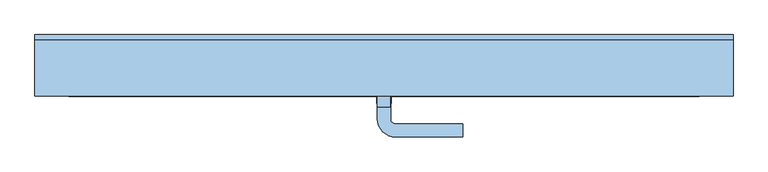
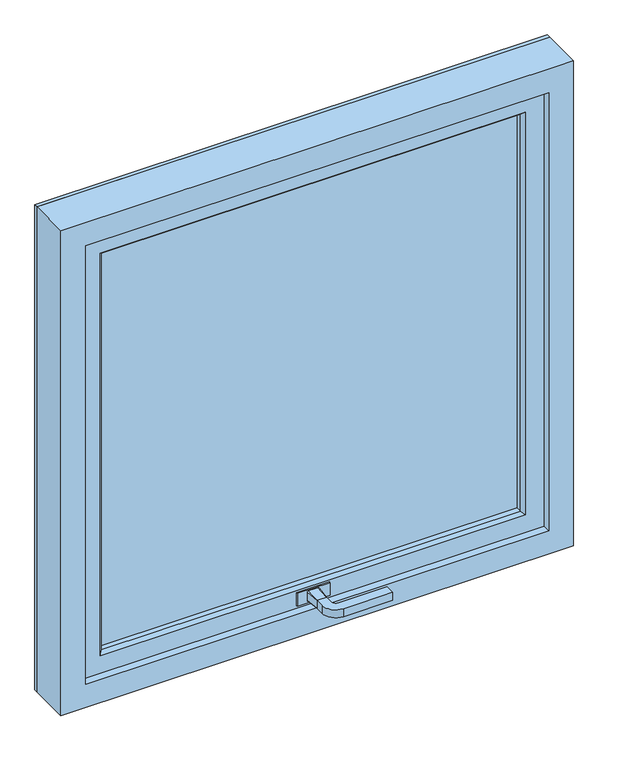
"""IFC4 building model written with IfcOpenShell, lengths in millimetres: window geometry."""

import ifcopenshell
import ifcopenshell.guid

model = None  # the IFC model being written
_history = None  # IfcOwnerHistory: only IFC2X3 demands one
_inside = {}  # id of a spatial element -> (the spatial element, [elements in it])
_under = {}  # id of a project, library or spatial element -> (it, [spatial elements below it])
_declared = {}  # id of a project -> (the project, [libraries it declares])
_typed = {}  # id of a type object -> (the type object, [elements of that type])
_made_of = {}  # id of a material, layer set ... -> (it, [elements and type objects made of it])


def new_model(schema):
    """Start an empty IFC model of exactly this schema.

    Asked for "IFC4X3", IfcOpenShell would pick the latest addendum, in which some entities
    have other attributes; the version numbers below select the first issue.
    IFC2X3 requires an IfcOwnerHistory on every rooted entity: one is made here for all.
    """
    global model, _history
    if schema == "IFC4X3":
        model = ifcopenshell.file(schema_version=(4, 3, 0, 0))
    else:
        model = ifcopenshell.file(schema=schema)
    _inside.clear()
    _under.clear()
    _declared.clear()
    _typed.clear()
    _made_of.clear()
    _history = None
    if model.schema == "IFC2X3":
        org = make("IfcOrganization", Name="unknown")
        user = make(
            "IfcPersonAndOrganization",
            ThePerson=make("IfcPerson", FamilyName="unknown"),
            TheOrganization=org,
        )
        app = make(
            "IfcApplication",
            ApplicationDeveloper=org,
            Version="unknown",
            ApplicationFullName="unknown",
            ApplicationIdentifier="unknown",
        )
        _history = make(
            "IfcOwnerHistory",
            OwningUser=user,
            OwningApplication=app,
            ChangeAction="ADDED",
            CreationDate=0,
        )
    return model


def make(cls, **values):
    """One entity of the class cls with the attributes given. An attribute that is None is left unset."""
    return model.create_entity(
        cls, **{name: value for name, value in values.items() if value is not None}
    )


def rooted(cls, **values):
    """An entity with a GlobalId (a new one), such as an element, a storey or a relation."""
    return make(cls, GlobalId=ifcopenshell.guid.new(), OwnerHistory=_history, **values)


def si_unit(unit_type, name, prefix=None):
    """IfcSIUnit, for example si_unit("LENGTHUNIT", "METRE", prefix="MILLI")."""
    return make("IfcSIUnit", UnitType=unit_type, Prefix=prefix, Name=name)


def assignment(units):
    """IfcUnitAssignment: the units of a project."""
    return None if units is None else make("IfcUnitAssignment", Units=units)


def point(xyz):
    """IfcCartesianPoint."""
    return None if xyz is None else make("IfcCartesianPoint", Coordinates=xyz)


def direction(xyz):
    """IfcDirection."""
    return None if xyz is None else make("IfcDirection", DirectionRatios=xyz)


def frame(location, z_axis=None, x_axis=None):
    """IfcAxis2Placement3D, a coordinate frame: its origin and axes. An axis left out is left unset."""
    return make(
        "IfcAxis2Placement3D",
        Location=point(location),
        Axis=direction(z_axis),
        RefDirection=direction(x_axis),
    )


def origin():
    """The frame at (0, 0, 0) with its axes left unset."""
    return frame((0.0, 0.0, 0.0))


def place(relative_to, where):
    """IfcLocalPlacement: puts the frame where relative to a parent placement (None: the world)."""
    return make(
        "IfcLocalPlacement", PlacementRelTo=relative_to, RelativePlacement=where
    )


def context(
    kind, dimensions, precision=None, world=None, true_north=None, identifier=None
):
    """IfcGeometricRepresentationContext, for example the 3D "Model" context."""
    return make(
        "IfcGeometricRepresentationContext",
        ContextIdentifier=identifier,
        ContextType=kind,
        CoordinateSpaceDimension=dimensions,
        Precision=precision,
        WorldCoordinateSystem=world,
        TrueNorth=true_north,
    )


def project(units=None, contexts=None):
    """IfcProject with its units and contexts."""
    return rooted(
        "IfcProject",
        Name="project",
        RepresentationContexts=contexts,
        UnitsInContext=assignment(units),
    )


def spatial(cls, under=None, at=None, **own):
    """A site, building, storey or space (cls), placed at a placement, below another one or the project."""
    s = rooted(cls, ObjectPlacement=at, **own)
    if under is not None:
        _under.setdefault(under.id(), (under, []))[1].append(s)
    return s


def polyline(points):
    """IfcPolyline through the points."""
    return make("IfcPolyline", Points=[point(p) for p in points])


def circle_curve(where, radius):
    """IfcCircle in the frame where."""
    return make("IfcCircle", Position=where, Radius=radius)


def outline(outer, holes=None, kind="AREA"):
    """IfcArbitraryClosedProfileDef: a profile drawn as a closed curve; with holes, ...WithVoids."""
    if holes is None:
        return make("IfcArbitraryClosedProfileDef", ProfileType=kind, OuterCurve=outer)
    return make(
        "IfcArbitraryProfileDefWithVoids",
        ProfileType=kind,
        OuterCurve=outer,
        InnerCurves=holes,
    )


def extrude(swept, where, along, depth):
    """IfcExtrudedAreaSolid: the profile swept, set in the frame where, extruded along a direction by depth."""
    return make(
        "IfcExtrudedAreaSolid",
        SweptArea=swept,
        Position=where,
        ExtrudedDirection=direction(along),
        Depth=depth,
    )


def faces_of(points, faces, orient=None, outer=None):
    """IfcFace entities. A face is a list of loops; a loop is a list of indices into points, from 0.

    orient and outer hold one flag for each loop. By default every Orientation is true, the
    first loop of a face is its IfcFaceOuterBound and the others are IfcFaceBound.
    """
    made = []
    for i, loops in enumerate(faces):
        bounds = []
        for j, loop in enumerate(loops):
            is_outer = j == 0 if outer is None else outer[i][j]
            bounds.append(
                make(
                    "IfcFaceOuterBound" if is_outer else "IfcFaceBound",
                    Bound=make("IfcPolyLoop", Polygon=[points[k] for k in loop]),
                    Orientation=True if orient is None else orient[i][j],
                )
            )
        made.append(make("IfcFace", Bounds=bounds))
    return made


def faceted_brep(points, faces, orient=None, outer=None, voids=None):
    """IfcFacetedBrep: a solid bounded by flat faces; with voids (closed shells), ...WithVoids."""
    shared = [point(p) for p in points]
    hull = make("IfcClosedShell", CfsFaces=faces_of(shared, faces, orient, outer))
    if voids is None:
        return make("IfcFacetedBrep", Outer=hull)
    return make(
        "IfcFacetedBrepWithVoids",
        Outer=hull,
        Voids=[
            make(cls, CfsFaces=faces_of(shared, fs, o, b)) for cls, fs, o, b in voids
        ],
    )


def shape(context_of_items, identifier, shape_type, items):
    """IfcShapeRepresentation: the items that make up one representation, for example the "Body"."""
    return make(
        "IfcShapeRepresentation",
        ContextOfItems=context_of_items,
        RepresentationIdentifier=identifier,
        RepresentationType=shape_type,
        Items=items,
    )


def source(mapping_origin, context_of_items, identifier, shape_type, items):
    """IfcRepresentationMap: a shape defined once, which mapped items show again and again."""
    return make(
        "IfcRepresentationMap",
        MappingOrigin=mapping_origin,
        MappedRepresentation=shape(context_of_items, identifier, shape_type, items),
    )


def transform(
    local_origin,
    x_axis=None,
    y_axis=None,
    z_axis=None,
    scale=None,
    scale2=None,
    scale3=None,
    uniform=True,
):
    """IfcCartesianTransformationOperator3D, or its non-uniform kind. x_axis, y_axis, z_axis: its Axis1, 2, 3."""
    if uniform:
        return make(
            "IfcCartesianTransformationOperator3D",
            Axis1=direction(x_axis),
            Axis2=direction(y_axis),
            LocalOrigin=point(local_origin),
            Scale=scale,
            Axis3=direction(z_axis),
        )
    return make(
        "IfcCartesianTransformationOperator3DnonUniform",
        Axis1=direction(x_axis),
        Axis2=direction(y_axis),
        LocalOrigin=point(local_origin),
        Scale=scale,
        Axis3=direction(z_axis),
        Scale2=scale2,
        Scale3=scale3,
    )


def mapped(mapping_source, mapping_target):
    """IfcMappedItem: shows the shape of a source again, moved by a transform."""
    return make(
        "IfcMappedItem", MappingSource=mapping_source, MappingTarget=mapping_target
    )


def made_of(thing, what):
    """Note that an element or type object is made of a material, layer set ...; save() writes the relation."""
    if what is not None:
        _made_of.setdefault(what.id(), (what, []))[1].append(thing)
    return thing


def element(
    cls,
    number,
    at=None,
    inside=None,
    cuts=None,
    type_object=None,
    material=None,
    context=None,
    identifier="Body",
    shape_type=None,
    held_by="IfcProductDefinitionShape",
    body=None,
    shapes=None,
    **own,
):
    """One element of the class cls, such as IfcWall. Its Tag is "e" and its number.

    at: its placement. inside: the storey or other place that contains it. cuts: it is an
    opening in that element (IfcRelVoidsElement). A single representation is given by context,
    identifier, shape_type and body (its items); several are given by shapes. held_by: the class
    of the entity that holds the representations. save() writes the other relations.
    """
    e = rooted(cls, Tag="e%d" % number, ObjectPlacement=at, **own)
    if body is not None:
        shapes = [shape(context, identifier, shape_type, body)]
    if shapes is not None:
        e.Representation = make(held_by, Representations=shapes)
    if inside is not None:
        _inside.setdefault(inside.id(), (inside, []))[1].append(e)
    if cuts is not None:
        rooted(
            "IfcRelVoidsElement", RelatingBuildingElement=cuts, RelatedOpeningElement=e
        )
    if type_object is not None:
        _typed.setdefault(type_object.id(), (type_object, []))[1].append(e)
    return made_of(e, material)


def aggregate(whole, parts):
    """IfcRelAggregates: a whole, such as a stair, and the parts it consists of."""
    return rooted("IfcRelAggregates", RelatingObject=whole, RelatedObjects=parts)


def save(model, path):
    """Write the relations noted so far, then the file.

    IfcRelAggregates (storeys below a building ...), IfcRelContainedInSpatialStructure (elements
    in a storey), IfcRelDefinesByType, IfcRelAssociatesMaterial and IfcRelDeclares: one each for
    every whole, place, type object, material and project.
    """
    for whole, parts in _under.values():
        aggregate(whole, parts)
    for where, things in _inside.values():
        rooted(
            "IfcRelContainedInSpatialStructure",
            RelatedElements=things,
            RelatingStructure=where,
        )
    for kind, things in _typed.values():
        rooted("IfcRelDefinesByType", RelatedObjects=things, RelatingType=kind)
    for what, things in _made_of.values():
        rooted("IfcRelAssociatesMaterial", RelatedObjects=things, RelatingMaterial=what)
    for by, libraries in _declared.values():
        rooted("IfcRelDeclares", RelatingContext=by, RelatedDefinitions=libraries)
    model.write(path)


def plane_surface(at):
    """IfcPlane: the flat surface through the origin of the frame at, square to its z axis."""
    return make("IfcPlane", Position=at)


def cylinder_surface(at, radius):
    """IfcCylindricalSurface: all points at the distance radius from the z axis of the frame at."""
    return make("IfcCylindricalSurface", Position=at, Radius=radius)


def revolved_surface(curve, axis_point, axis_direction):
    """IfcSurfaceOfRevolution: the curve turned about the line through axis_point along axis_direction."""
    return make(
        "IfcSurfaceOfRevolution",
        SweptCurve=make("IfcArbitraryOpenProfileDef", ProfileType="CURVE", Curve=curve),
        AxisPosition=make("IfcAxis1Placement", Location=point(axis_point), Axis=direction(axis_direction)),
    )


def spline_surface(u_degree, v_degree, points, u_multiplicities, v_multiplicities, u_knots, v_knots, weights=None):
    """IfcBSplineSurfaceWithKnots; with weights, IfcRationalBSplineSurfaceWithKnots. points: one row for each step in u."""
    own = dict(
        UDegree=u_degree,
        VDegree=v_degree,
        ControlPointsList=[[point(p) for p in row] for row in points],
        SurfaceForm="UNSPECIFIED",
        UClosed=False,
        VClosed=False,
        SelfIntersect=False,
        UMultiplicities=u_multiplicities,
        VMultiplicities=v_multiplicities,
        UKnots=u_knots,
        VKnots=v_knots,
        KnotSpec="UNSPECIFIED",
    )
    if weights is None:
        return make("IfcBSplineSurfaceWithKnots", **own)
    return make("IfcRationalBSplineSurfaceWithKnots", WeightsData=weights, **own)


def advanced_brep(points, edges, surfaces, faces):
    """IfcAdvancedBrep: a solid bounded by faces that lie on surfaces and meet in shared edges.

    An edge is (start, end): straight between two places in points (the first is 0);
    or (start, end, curve); or (start, end, curve, False) where it runs against its curve.
    A face is (place in surfaces, loops), or (place, loops, False) where it looks against
    its surface's normal. A loop lists edges by number (the first is 1), with a minus sign
    where the edge is run from its end to its start. The first loop is the outer one.
    """
    corners = [point(p) for p in points]
    vertices = [make("IfcVertexPoint", VertexGeometry=c) for c in corners]
    made = []
    for start, end, *more in edges:
        made.append(
            make(
                "IfcEdgeCurve",
                EdgeStart=vertices[start],
                EdgeEnd=vertices[end],
                EdgeGeometry=more[0] if more else make("IfcPolyline", Points=[corners[start], corners[end]]),
                SameSense=more[1] if len(more) > 1 else True,
            )
        )
    hull = []
    for where, loops, *sense in faces:
        bounds = []
        for j, loop in enumerate(loops):
            ring = [make("IfcOrientedEdge", EdgeElement=made[abs(k) - 1], Orientation=k > 0) for k in loop]
            bounds.append(
                make(
                    "IfcFaceOuterBound" if j == 0 else "IfcFaceBound",
                    Bound=make("IfcEdgeLoop", EdgeList=ring),
                    Orientation=True,
                )
            )
        hull.append(make("IfcAdvancedFace", Bounds=bounds, FaceSurface=surfaces[where], SameSense=sense[0] if sense else True))
    return make("IfcAdvancedBrep", Outer=make("IfcClosedShell", CfsFaces=hull))


def window_c34e5b44(model_context):
    return source(origin(), model_context, "Body", "SolidModel", [
        advanced_brep(
        [(163.0684724, -68.4960746, 106.7944714), (163.0684724, -68.4960746, 75.5444714), (88.0684724, -68.4960746, 75.5444714), (88.0684724, -68.4960746, 106.7944714), (138.7698934, -71.2503138, 100.8520268), (136.0, -104.4042949, 100.7025397), (136.0, -104.4042949, 81.7025397), (138.7698934, -71.2503138, 81.5530525), (136.1494871, -71.2503138, 103.4724331), (113.8505129, -71.2503138, 103.4724331), (114.0, -104.4042949, 100.7025397), (111.2301066, -71.2503138, 100.8520268), (111.2301066, -71.2503138, 81.5530525), (114.0, -104.4042949, 81.7025397), (113.8505129, -71.2503138, 78.9326462), (136.1494871, -71.2503138, 78.9326462), (114.0, -124.4042949, 100.7025397), (145.0, -155.4042949, 100.7025397), (258.0, -155.4042949, 100.7025397), (258.0, -133.4042949, 100.7025397), (145.0, -133.4042949, 100.7025397), (136.0, -124.4042949, 100.7025397), (136.0, -124.4042949, 81.7025397), (145.0, -133.4042949, 81.7025397), (258.0, -133.4042949, 81.7025397), (258.0, -155.4042949, 81.7025397), (145.0, -155.4042949, 81.7025397), (114.0, -124.4042949, 81.7025397), (163.0684724, -71.2503138, 106.7944714), (88.0684724, -71.2503138, 106.7944714), (88.0684724, -71.2503138, 75.5444714), (163.0684724, -71.2503138, 75.5444714)],
        [
            (0, 1),
            (1, 2),
            (2, 3),
            (3, 0),
            (4, 5),
            (5, 6),
            (6, 7),
            (7, 4),
            (4, 8, circle_curve(frame((136.1494871, -71.2503138, 100.8520268), z_axis=(0.0, -1.0, 0.0), x_axis=(1.0, 0.0, 0.0)), 2.6204063)),
            (8, 5),
            (8, 9),
            (9, 10),
            (10, 5),
            (9, 11, circle_curve(frame((113.8505129, -71.2503138, 100.8520268), z_axis=(0.0, -1.0, 0.0), x_axis=(-1.0, 0.0, 0.0)), 2.6204063)),
            (11, 10),
            (11, 12),
            (12, 13),
            (13, 10),
            (12, 14, circle_curve(frame((113.8505129, -71.2503138, 81.5530525), z_axis=(0.0, -1.0, 0.0), x_axis=(-1.0, 0.0, 0.0)), 2.6204063)),
            (14, 13),
            (14, 15),
            (15, 6),
            (6, 13),
            (15, 7, circle_curve(frame((136.1494871, -71.2503138, 81.5530525), z_axis=(0.0, -1.0, 0.0), x_axis=(1.0, 0.0, 0.0)), 2.6204063)),
            (10, 16),
            (16, 17, circle_curve(frame((145.0, -124.4042949, 100.7025397), z_axis=(0.0, 0.0, 1.0), x_axis=(-1.0, 0.0, 0.0)), 31.0)),
            (17, 18),
            (18, 19),
            (19, 20),
            (20, 21, circle_curve(frame((145.0, -124.4042949, 100.7025397), z_axis=(0.0, 0.0, -1.0), x_axis=(-1.0, 0.0, 0.0)), 9.0)),
            (21, 5),
            (21, 22),
            (22, 6),
            (22, 23, circle_curve(frame((145.0, -124.4042949, 81.7025397), z_axis=(0.0, 0.0, 1.0), x_axis=(-1.0, 0.0, 0.0)), 9.0)),
            (23, 24),
            (24, 25),
            (25, 26),
            (26, 27, circle_curve(frame((145.0, -124.4042949, 81.7025397), z_axis=(0.0, 0.0, -1.0), x_axis=(-1.0, 0.0, 0.0)), 31.0)),
            (27, 13),
            (27, 16),
            (20, 23),
            (26, 17),
            (18, 25),
            (24, 19),
            (28, 29),
            (29, 30),
            (30, 31),
            (31, 28),
            (28, 0),
            (3, 29),
            (2, 30),
            (1, 31),
        ],
        [
            plane_surface(frame((125.0, -68.4960746, 91.2025397), z_axis=(0.0, 1.0, 0.0), x_axis=(0.0, 0.0, -1.0))),
            plane_surface(frame((139.0, -68.4960746, 91.2025397), z_axis=(0.9965281698958541, -0.0832562706588504, 0.0), x_axis=(0.0, 0.0, 1.0))),
            spline_surface(2, 1, [[(139.0, -68.4960746, 100.8644453), (136.0, -104.4042949, 100.7025397)], [(138.9999999, -68.4960746, 103.7025396), (136.0, -104.4042949, 100.7025397)], [(136.1619057, -68.4960746, 103.7025397), (136.0, -104.4042949, 100.7025397)]], [3, 3], [2, 2], [0.0, 1.0], [0.0, 1.0], weights=[[1.0, 1.0], [0.7071067936439709, 0.7071067936439709], [1.0, 1.0]]),
            plane_surface(frame((125.0, -68.4960746, 103.7025397), z_axis=(0.0, -0.08325627065885213, 0.996528169895854), x_axis=(-1.0, 0.0, 0.0))),
            spline_surface(2, 1, [[(113.8380943, -68.4960746, 103.7025397), (114.0, -104.4042949, 100.7025397)], [(110.99999989999999, -68.4960746, 103.70253980000001), (114.0, -104.4042949, 100.7025397)], [(111.0, -68.4960746, 100.8644453), (114.0, -104.4042949, 100.7025397)]], [3, 3], [2, 2], [0.0, 1.0], [0.0, 1.0], weights=[[1.0, 1.0], [0.7071067687291248, 0.7071067687291248], [1.0, 1.0]]),
            plane_surface(frame((111.0, -68.4960746, 91.2025397), z_axis=(-0.9965281698958541, -0.08325627065885033, 0.0), x_axis=(0.0, 0.0, -1.0))),
            spline_surface(2, 1, [[(111.0, -68.4960746, 81.540634), (114.0, -104.4042949, 81.7025397)], [(111.0, -68.4960746, 78.7025397), (114.0, -104.4042949, 81.7025397)], [(113.8380943, -68.4960746, 78.7025397), (114.0, -104.4042949, 81.7025397)]], [3, 3], [2, 2], [0.0, 1.0], [0.0, 1.0], weights=[[1.0, 1.0], [0.7071067811865476, 0.7071067811865476], [1.0, 1.0]]),
            plane_surface(frame((125.0, -68.4960746, 78.7025397), z_axis=(0.0, -0.08325627065884861, -0.9965281698958542), x_axis=(1.0, 0.0, 0.0))),
            spline_surface(2, 1, [[(136.1619057, -68.4960746, 78.7025397), (136.0, -104.4042949, 81.7025397)], [(139.0, -68.4960746, 78.7025397), (136.0, -104.4042949, 81.7025397)], [(139.0, -68.4960746, 81.540634), (136.0, -104.4042949, 81.7025397)]], [3, 3], [2, 2], [0.0, 1.0], [0.0, 1.0], weights=[[1.0, 1.0], [0.7071067811865476, 0.7071067811865476], [1.0, 1.0]]),
            plane_surface(frame((114.0, -104.4042949, 100.7025397), z_axis=(0.0, 0.0, 1.0), x_axis=(0.0, -1.0, 0.0))),
            plane_surface(frame((136.0, -104.4042949, 100.7025397), z_axis=(1.0, 0.0, 0.0), x_axis=(0.0, -1.0, 0.0))),
            plane_surface(frame((136.0, -104.4042949, 81.7025397), z_axis=(0.0, 0.0, -1.0), x_axis=(0.0, -1.0, 0.0))),
            plane_surface(frame((114.0, -104.4042949, 81.7025397), z_axis=(-1.0, 0.0, 0.0), x_axis=(0.0, -1.0, 0.0))),
            revolved_surface(polyline([(136.0, -124.4042949, 100.7025397), (136.0, -124.4042949, 81.7025397)]), (145.0, -124.4042949, 91.2025397), (0.0, 0.0, 1.0)),
            cylinder_surface(frame((145.0, -124.4042949, 91.2025397), z_axis=(0.0, 0.0, 1.0), x_axis=(-1.0, 0.0, 0.0)), 31.0),
            plane_surface(frame((258.0, -144.4042949, 91.2025397), z_axis=(1.0, 0.0, 0.0), x_axis=(0.0, 0.0, -1.0))),
            plane_surface(frame((145.0, -133.4042949, 100.7025397), z_axis=(0.0, 1.0, 0.0), x_axis=(1.0, 0.0, 0.0))),
            plane_surface(frame((145.0, -155.4042949, 81.7025397), z_axis=(0.0, -1.0, 0.0), x_axis=(1.0, 0.0, 0.0))),
            plane_surface(frame((93.0684724, -71.2503138, 106.7944714), z_axis=(0.0, -1.0, 0.0), x_axis=(-1.0, 0.0, 0.0))),
            plane_surface(frame((163.0684724, -71.2503138, 106.7944714), z_axis=(0.0, 0.0, 1.0), x_axis=(0.0, 1.0, 0.0))),
            plane_surface(frame((88.0684724, -71.2503138, 106.7944714), z_axis=(-1.0, 0.0, 0.0), x_axis=(0.0, 1.0, 0.0))),
            plane_surface(frame((88.0684724, -71.2503138, 75.5444714), z_axis=(0.0, 0.0, -1.0), x_axis=(0.0, 1.0, 0.0))),
            plane_surface(frame((163.0684724, -71.2503138, 75.5444714), z_axis=(1.0, 0.0, 0.0), x_axis=(0.0, 1.0, 0.0))),
        ],
        [
            (0, [[1, 2, 3, 4]]),
            (1, [[5, 6, 7, 8]]),
            (2, [[-5, 9, 10]]),
            (3, [[-10, 11, 12, 13]]),
            (4, [[-12, 14, 15]]),
            (5, [[-15, 16, 17, 18]]),
            (6, [[-17, 19, 20]]),
            (7, [[-20, 21, 22, 23]]),
            (8, [[-7, -22, 24]]),
            (9, [[25, 26, 27, 28, 29, 30, 31, -13]]),
            (10, [[-31, 32, 33, -6]]),
            (11, [[-33, 34, 35, 36, 37, 38, 39, -23]]),
            (12, [[-25, -18, -39, 40]]),
            (13, [[-30, 41, -34, -32]]),
            (14, [[-26, -40, -38, 42]]),
            (15, [[-28, 43, -36, 44]]),
            (16, [[-29, -44, -35, -41]]),
            (17, [[-27, -42, -37, -43]]),
            (18, [[45, 46, 47, 48], [-8, -24, -21, -19, -16, -14, -11, -9]]),
            (19, [[-45, 49, -4, 50]]),
            (20, [[-46, -50, -3, 51]]),
            (21, [[-47, -51, -2, 52]]),
            (22, [[-48, -52, -1, -49]]),
        ],
    ),
        extrude(outline(polyline([(625.0474603, 0.0), (625.0474603, -48.0), (-375.0310173, -48.0), (-375.0310173, 0.0), (625.0474603, 0.0)])), frame((0.0, 0.0, 96.1037243), z_axis=(0.0, 0.0, 1.0), x_axis=(1.0, 0.0, 0.0)), (0.0, 0.0, 1.0), 1007.7925514),
        faceted_brep([(713.0, 8.5039254, 1188.0), (713.0, -86.4960746, 1188.0), (713.0, -86.4960746, 12.0), (713.0, 8.5039254, 12.0), (628.8962757, -48.0, 1103.8962757), (628.8962757, 8.5039254, 1103.8962757), (628.8962757, 8.5039254, 96.1037243), (628.8962757, -48.0, 96.1037243), (605.8962757, -61.4960746, 1080.8962757), (605.8962757, -48.0, 1080.8962757), (605.8962757, -48.0, 119.1037243), (605.8962757, -61.4960746, 119.1037243), (612.8962757, -68.4960746, 1087.8962757), (612.8962757, -68.4960746, 112.1037243), (656.0, -86.4960746, 1131.0), (656.0, -68.4960746, 1131.0), (656.0, -68.4960746, 69.0), (656.0, -86.4960746, 69.0), (-463.0, -86.4960746, 12.0), (-463.0, 8.5039254, 12.0), (-378.8962757, 8.5039254, 96.1037243), (-378.8962757, -48.0, 96.1037243), (-355.8962757, -48.0, 119.1037243), (-355.8962757, -61.4960746, 119.1037243), (-362.8962757, -68.4960746, 112.1037243), (-406.0, -68.4960746, 69.0), (-406.0, -86.4960746, 69.0), (-463.0, -86.4960746, 1188.0), (-463.0, 8.5039254, 1188.0), (-378.8962757, 8.5039254, 1103.8962757), (-378.8962757, -48.0, 1103.8962757), (-355.8962757, -48.0, 1080.8962757), (-355.8962757, -61.4960746, 1080.8962757), (-362.8962757, -68.4960746, 1087.8962757), (-406.0, -68.4960746, 1131.0), (-406.0, -86.4960746, 1131.0)], [[[0, 1, 2, 3]], [[4, 5, 6, 7]], [[8, 9, 10, 11]], [[12, 8, 11, 13]], [[14, 15, 16, 17]], [[3, 2, 18, 19]], [[7, 6, 20, 21]], [[11, 10, 22, 23]], [[13, 11, 23, 24]], [[17, 16, 25, 26]], [[19, 18, 27, 28]], [[21, 20, 29, 30]], [[23, 22, 31, 32]], [[24, 23, 32, 33]], [[26, 25, 34, 35]], [[28, 27, 1, 0]], [[3, 19, 28, 0], [5, 29, 20, 6]], [[30, 29, 5, 4]], [[7, 21, 30, 4], [9, 31, 22, 10]], [[32, 31, 9, 8]], [[33, 32, 8, 12]], [[15, 34, 25, 16], [13, 24, 33, 12]], [[35, 34, 15, 14]], [[1, 27, 18, 2], [17, 26, 35, 14]]]),
        faceted_brep([(628.8962757, 8.5039254, 1103.8962757), (628.8962757, 0.0, 1103.8962757), (628.8962757, 0.0, 96.1037243), (628.8962757, 8.5039254, 96.1037243), (713.0, 17.1039254, 1188.0), (713.0, 8.5039254, 1188.0), (713.0, 8.5039254, 12.0), (713.0, 17.1039254, 12.0), (604.8768136, 0.0, 1079.8768136), (611.9614927, 17.1039254, 1086.9614927), (611.9614927, 17.1039254, 113.0385073), (604.8768136, 0.0, 120.1231864), (-378.8962757, 0.0, 96.1037243), (-378.8962757, 8.5039254, 96.1037243), (-463.0, 8.5039254, 12.0), (-463.0, 17.1039254, 12.0), (-361.9614927, 17.1039254, 113.0385073), (-354.8768136, 0.0, 120.1231864), (-378.8962757, 0.0, 1103.8962757), (-378.8962757, 8.5039254, 1103.8962757), (-463.0, 8.5039254, 1188.0), (-463.0, 17.1039254, 1188.0), (-361.9614927, 17.1039254, 1086.9614927), (-354.8768136, 0.0, 1079.8768136), (674.001149, 17.1039254, 1149.001149), (-424.001149, 17.1039254, 1149.001149), (-424.001149, 17.1039254, 50.998851), (674.001149, 17.1039254, 50.998851), (668.4964018, 17.1039254, 1143.4964018), (670.7269586, 10.503931, 1145.7269586), (670.7269586, 10.503931, 54.2730414), (668.4964018, 17.1039254, 56.5035982), (674.001149, 10.503931, 1149.001149), (674.001149, 10.503931, 50.998851), (-420.7269586, 10.503931, 54.2730414), (-418.4964018, 17.1039254, 56.5035982), (-424.001149, 10.503931, 50.998851), (-420.7269586, 10.503931, 1145.7269586), (-418.4964018, 17.1039254, 1143.4964018), (-424.001149, 10.503931, 1149.001149)], [[[0, 1, 2, 3]], [[4, 5, 6, 7]], [[8, 9, 10, 11]], [[3, 2, 12, 13]], [[7, 6, 14, 15]], [[11, 10, 16, 17]], [[13, 12, 18, 19]], [[15, 14, 20, 21]], [[17, 16, 22, 23]], [[1, 18, 12, 2], [11, 17, 23, 8]], [[19, 18, 1, 0]], [[21, 20, 5, 4]], [[7, 15, 21, 4], [24, 25, 26, 27]], [[23, 22, 9, 8]], [[28, 29, 30, 31]], [[32, 24, 27, 33]], [[31, 30, 34, 35]], [[33, 27, 26, 36]], [[35, 34, 37, 38]], [[36, 26, 25, 39]], [[5, 20, 14, 6], [3, 13, 19, 0]], [[38, 37, 29, 28]], [[31, 35, 38, 28], [9, 22, 16, 10]], [[39, 25, 24, 32]], [[33, 36, 39, 32], [29, 37, 34, 30]]]),
    ])


if __name__ == "__main__":
    model = new_model("IFC4")
    model_context = context("Model", 3, world=origin())
    ifc_project = project(units=[si_unit("LENGTHUNIT", "METRE", prefix="MILLI")], contexts=[model_context])
    site = spatial("IfcSite", under=ifc_project)
    building = spatial("IfcBuilding", under=site)
    placement = place(None, origin())
    window_shape = window_c34e5b44(model_context)
    element("IfcWindow", 1, at=placement, inside=building, context=model_context, shape_type="MappedRepresentation", body=[
        mapped(window_shape, transform((0.0, 0.0, 0.0), x_axis=(1.0, 0.0, 0.0), y_axis=(0.0, 1.0, 0.0), z_axis=(0.0, 0.0, 1.0))),
    ])
    save(model, "model.ifc")
